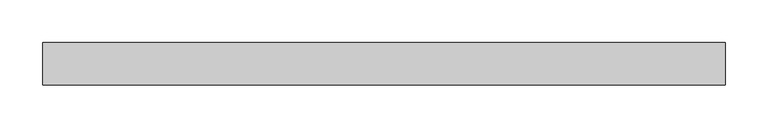
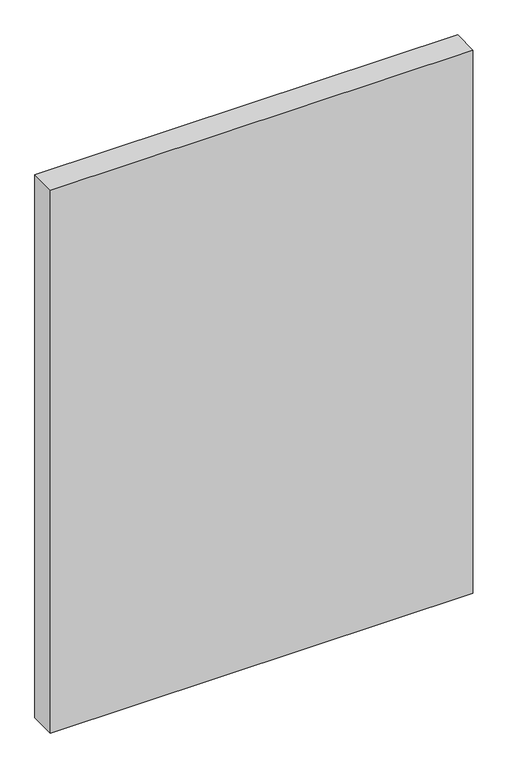
"""IFC4 building model written with IfcOpenShell, lengths in millimetres: plate geometry."""

from ifc_helpers import new_model, si_unit, origin, origin_with_axes, place, context, project, spatial, polyline, outline, extrude, source, transform, mapped, element, save


def plate_a8ff62f7(model_context):
    return source(origin(), model_context, "Body", "SweptSolid", [
        extrude(outline(polyline([(399.4474027, -25.0), (-399.4474027, -25.0), (-399.4474027, 25.0), (399.4474027, 25.0), (399.4474027, -25.0)])), origin_with_axes(), (0.0, 0.0, 1.0), 1085.0),
    ])


if __name__ == "__main__":
    model = new_model("IFC4")
    model_context = context("Model", 3, world=origin())
    ifc_project = project(units=[si_unit("LENGTHUNIT", "METRE", prefix="MILLI")], contexts=[model_context])
    site = spatial("IfcSite", under=ifc_project)
    building = spatial("IfcBuilding", under=site)
    placement = place(None, origin())
    plate_shape = plate_a8ff62f7(model_context)
    element("IfcPlate", 1, at=placement, inside=building, context=model_context, shape_type="MappedRepresentation", body=[
        mapped(plate_shape, transform((0.0, 0.0, 0.0), x_axis=(1.0, 0.0, 0.0), y_axis=(0.0, 1.0, 0.0), z_axis=(0.0, 0.0, 1.0))),
    ])
    save(model, "model.ifc")
